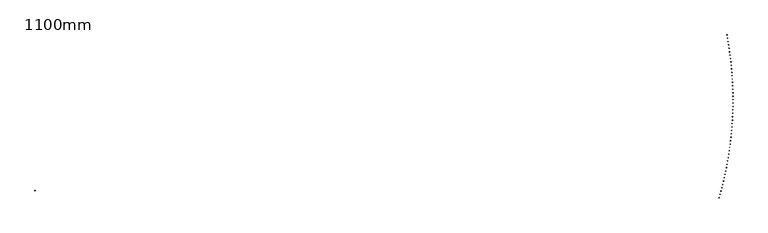
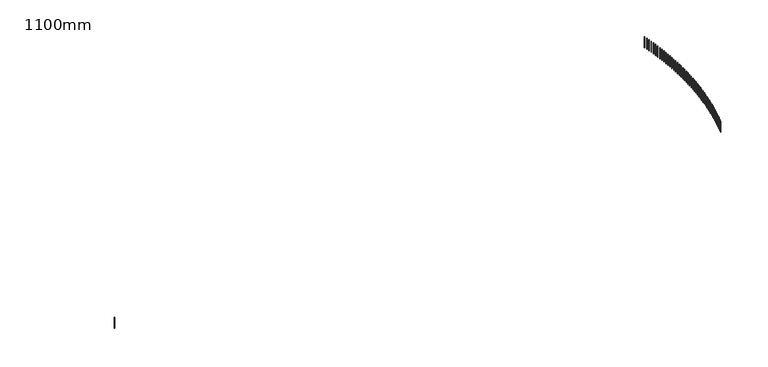
"""IFC4 building model written with IfcOpenShell, lengths in millimetres: railing geometry, 1100mm."""

from ifc_helpers import new_model, si_unit, frame, origin, place, context, project, spatial, polyline, outline, extrude, source, transform, mapped, element, save


def railing_1100mm_f61265d2(model_context):
    return source(origin(), model_context, "Body", "SweptSolid", [
        extrude(outline(polyline([(18164.9499455, -61980.7188274), (18188.9790862, -61987.6181313), (18182.0797824, -62011.6472721), (18158.0506416, -62004.7479682), (18164.9499455, -61980.7188274)])), frame((0.0, 0.0, 18600.0), z_axis=(0.0, 0.0, 1.0), x_axis=(1.0, 0.0, 0.0)), (0.0, 0.0, 1.0), 1050.0),
        extrude(outline(polyline([(18239.412749, -61716.1187681), (18263.5075375, -61722.785189), (18256.8411166, -61746.8799775), (18232.7463281, -61740.2135565), (18239.412749, -61716.1187681)])), frame((0.0, 0.0, 18600.0), z_axis=(0.0, 0.0, 1.0), x_axis=(1.0, 0.0, 0.0)), (0.0, 0.0, 1.0), 1050.0),
        extrude(outline(polyline([(18311.3112025, -61450.8104325), (18335.4693817, -61457.2433461), (18329.0364681, -61481.4015253), (18304.8782889, -61474.9686117), (18311.3112025, -61450.8104325)])), frame((0.0, 0.0, 18600.0), z_axis=(0.0, 0.0, 1.0), x_axis=(1.0, 0.0, 0.0)), (0.0, 0.0, 1.0), 1050.0),
        extrude(outline(polyline([(18380.6385712, -61184.8186723), (18404.8578782, -61191.017476), (18398.6590745, -61215.236783), (18374.4397675, -61209.0379793), (18380.6385712, -61184.8186723)])), frame((0.0, 0.0, 18600.0), z_axis=(0.0, 0.0, 1.0), x_axis=(1.0, 0.0, 0.0)), (0.0, 0.0, 1.0), 1050.0),
        extrude(outline(polyline([(18447.388361, -60918.168403), (18471.6665272, -60924.1325162), (18465.7024141, -60948.4106824), (18441.4242479, -60942.4465693), (18447.388361, -60918.168403)])), frame((0.0, 0.0, 18600.0), z_axis=(0.0, 0.0, 1.0), x_axis=(1.0, 0.0, 0.0)), (0.0, 0.0, 1.0), 1050.0),
        extrude(outline(polyline([(18511.5543196, -60650.884602), (18535.8890708, -60656.6134659), (18530.1602069, -60680.9482172), (18505.8254557, -60675.2193533), (18511.5543196, -60650.884602)])), frame((0.0, 0.0, 18600.0), z_axis=(0.0, 0.0, 1.0), x_axis=(1.0, 0.0, 0.0)), (0.0, 0.0, 1.0), 1050.0),
        extrude(outline(polyline([(18573.1304364, -60382.9923058), (18597.5194933, -60388.4853838), (18592.0264152, -60412.8744407), (18567.6373584, -60407.3813626), (18573.1304364, -60382.9923058)])), frame((0.0, 0.0, 18600.0), z_axis=(0.0, 0.0, 1.0), x_axis=(1.0, 0.0, 0.0)), (0.0, 0.0, 1.0), 1050.0),
        extrude(outline(polyline([(18632.1109437, -60114.516608), (18656.5520216, -60119.7733857), (18651.2952439, -60144.2144636), (18626.854166, -60138.9576859), (18632.1109437, -60114.516608)])), frame((0.0, 0.0, 18600.0), z_axis=(0.0, 0.0, 1.0), x_axis=(1.0, 0.0, 0.0)), (0.0, 0.0, 1.0), 1050.0),
        extrude(outline(polyline([(18688.4903166, -59845.4826569), (18712.9811262, -59850.5026418), (18707.9611413, -59874.9934513), (18683.4703318, -59869.9734664), (18688.4903166, -59845.4826569)])), frame((0.0, 0.0, 18600.0), z_axis=(0.0, 0.0, 1.0), x_axis=(1.0, 0.0, 0.0)), (0.0, 0.0, 1.0), 1050.0),
        extrude(outline(polyline([(18742.2632741, -59575.915653), (18766.8015213, -59580.6983749), (18762.0187994, -59605.236622), (18737.4805523, -59600.4539002), (18742.2632741, -59575.915653)])), frame((0.0, 0.0, 18600.0), z_axis=(0.0, 0.0, 1.0), x_axis=(1.0, 0.0, 0.0)), (0.0, 0.0, 1.0), 1050.0),
        extrude(outline(polyline([(18793.4247793, -59305.8408469), (18818.0081655, -59310.3858577), (18813.4631547, -59334.9692439), (18788.8797685, -59330.4242331), (18793.4247793, -59305.8408469)])), frame((0.0, 0.0, 18600.0), z_axis=(0.0, 0.0, 1.0), x_axis=(1.0, 0.0, 0.0)), (0.0, 0.0, 1.0), 1050.0),
        extrude(outline(polyline([(18841.9700398, -59035.2835364), (18866.5962623, -59039.5904105), (18862.2893882, -59064.216633), (18837.6631657, -59059.909759), (18841.9700398, -59035.2835364)])), frame((0.0, 0.0, 18600.0), z_axis=(0.0, 0.0, 1.0), x_axis=(1.0, 0.0, 0.0)), (0.0, 0.0, 1.0), 1050.0),
        extrude(outline(polyline([(18887.8945083, -58764.269065), (18912.5612604, -58768.3373989), (18908.4929265, -58793.004151), (18883.8261744, -58788.9358171), (18887.8945083, -58764.269065)])), frame((0.0, 0.0, 18600.0), z_axis=(0.0, 0.0, 1.0), x_axis=(1.0, 0.0, 0.0)), (0.0, 0.0, 1.0), 1050.0),
        extrude(outline(polyline([(18931.1938832, -58492.8228186), (18955.8988543, -58496.6522313), (18952.0694417, -58521.3572024), (18927.3644706, -58517.5277898), (18931.1938832, -58492.8228186)])), frame((0.0, 0.0, 18600.0), z_axis=(0.0, 0.0, 1.0), x_axis=(1.0, 0.0, 0.0)), (0.0, 0.0, 1.0), 1050.0),
        extrude(outline(polyline([(18971.8641085, -58220.9702238), (18996.6049845, -58224.5603565), (18993.0148518, -58249.3012325), (18968.2739758, -58245.7110998), (18971.8641085, -58220.9702238)])), frame((0.0, 0.0, 18600.0), z_axis=(0.0, 0.0, 1.0), x_axis=(1.0, 0.0, 0.0)), (0.0, 0.0, 1.0), 1050.0),
        extrude(outline(polyline([(19009.9013746, -57948.7367451), (19034.675838, -57952.0872615), (19031.3253216, -57976.861725), (19006.5508581, -57973.5112086), (19009.9013746, -57948.7367451)])), frame((0.0, 0.0, 18600.0), z_axis=(0.0, 0.0, 1.0), x_axis=(1.0, 0.0, 0.0)), (0.0, 0.0, 1.0), 1050.0),
        extrude(outline(polyline([(19045.3021185, -57676.1478828), (19070.1078487, -57679.2584691), (19066.9972624, -57704.0641993), (19042.1915322, -57700.953613), (19045.3021185, -57676.1478828)])), frame((0.0, 0.0, 18600.0), z_axis=(0.0, 0.0, 1.0), x_axis=(1.0, 0.0, 0.0)), (0.0, 0.0, 1.0), 1050.0),
        extrude(outline(polyline([(19078.0630243, -57403.2291703), (19102.8976977, -57406.0995352), (19100.0273329, -57430.9342086), (19075.1926595, -57428.0638438), (19078.0630243, -57403.2291703)])), frame((0.0, 0.0, 18600.0), z_axis=(0.0, 0.0, 1.0), x_axis=(1.0, 0.0, 0.0)), (0.0, 0.0, 1.0), 1050.0),
        extrude(outline(polyline([(19108.1810232, -57130.0061723), (19133.0423136, -57132.6360468), (19130.4124391, -57157.4973372), (19105.5511487, -57154.8674627), (19108.1810232, -57130.0061723)])), frame((0.0, 0.0, 18600.0), z_axis=(0.0, 0.0, 1.0), x_axis=(1.0, 0.0, 0.0)), (0.0, 0.0, 1.0), 1050.0),
        extrude(outline(polyline([(19135.6532941, -56856.5044815), (19160.5388726, -56858.8936193), (19158.1497348, -56883.7791979), (19133.2641562, -56881.39006), (19135.6532941, -56856.5044815)])), frame((0.0, 0.0, 18600.0), z_axis=(0.0, 0.0, 1.0), x_axis=(1.0, 0.0, 0.0)), (0.0, 0.0, 1.0), 1050.0),
        extrude(outline(polyline([(19160.4772635, -56582.749717), (19185.3847992, -56584.8978943), (19183.2366219, -56609.80543), (19158.3290862, -56607.6572527), (19160.4772635, -56582.749717)])), frame((0.0, 0.0, 18600.0), z_axis=(0.0, 0.0, 1.0), x_axis=(1.0, 0.0, 0.0)), (0.0, 0.0, 1.0), 1050.0),
        extrude(outline(polyline([(19182.6506063, -56308.7675216), (19207.577766, -56310.6745372), (19205.6707504, -56335.6016969), (19180.7435907, -56333.6946813), (19182.6506063, -56308.7675216)])), frame((0.0, 0.0, 18600.0), z_axis=(0.0, 0.0, 1.0), x_axis=(1.0, 0.0, 0.0)), (0.0, 0.0, 1.0), 1050.0),
        extrude(outline(polyline([(19202.1712455, -56034.5835593), (19227.1156943, -56036.2492346), (19225.4500189, -56061.1936834), (19200.5055701, -56059.5280081), (19202.1712455, -56034.5835593)])), frame((0.0, 0.0, 18600.0), z_axis=(0.0, 0.0, 1.0), x_axis=(1.0, 0.0, 0.0)), (0.0, 0.0, 1.0), 1050.0),
        extrude(outline(polyline([(19219.0373524, -55760.223513), (19243.9967538, -55761.647692), (19242.5725748, -55786.6070933), (19217.6131735, -55785.1829143), (19219.0373524, -55760.223513)])), frame((0.0, 0.0, 18600.0), z_axis=(0.0, 0.0, 1.0), x_axis=(1.0, 0.0, 0.0)), (0.0, 0.0, 1.0), 1050.0),
        extrude(outline(polyline([(19233.2473474, -55485.7130823), (19258.2193633, -55486.8956315), (19257.036814, -55511.8676474), (19232.0647982, -55510.6850982), (19233.2473474, -55485.7130823)])), frame((0.0, 0.0, 18600.0), z_axis=(0.0, 0.0, 1.0), x_axis=(1.0, 0.0, 0.0)), (0.0, 0.0, 1.0), 1050.0),
        extrude(outline(polyline([(19244.7998993, -55211.0779806), (19269.7821906, -55212.0187893), (19268.8413819, -55237.0010806), (19243.8590906, -55236.0602719), (19244.7998993, -55211.0779806)])), frame((0.0, 0.0, 18600.0), z_axis=(0.0, 0.0, 1.0), x_axis=(1.0, 0.0, 0.0)), (0.0, 0.0, 1.0), 1050.0),
        extrude(outline(polyline([(19253.693926, -54936.3439331), (19278.6841526, -54937.0429132), (19277.9851725, -54962.0331398), (19252.9949459, -54961.3341598), (19253.693926, -54936.3439331)])), frame((0.0, 0.0, 18600.0), z_axis=(0.0, 0.0, 1.0), x_axis=(1.0, 0.0, 0.0)), (0.0, 0.0, 1.0), 1050.0),
        extrude(outline(polyline([(19259.9285943, -54661.5366744), (19284.9244154, -54661.9937604), (19284.4673295, -54686.9895815), (19259.4715084, -54686.5324955), (19259.9285943, -54661.5366744)])), frame((0.0, 0.0, 18600.0), z_axis=(0.0, 0.0, 1.0), x_axis=(1.0, 0.0, 0.0)), (0.0, 0.0, 1.0), 1050.0),
        extrude(outline(polyline([(19263.5033203, -54386.6819458), (19288.5023945, -54386.8970948), (19288.2872455, -54411.896169), (19263.2881713, -54411.68102), (19263.5033203, -54386.6819458)])), frame((0.0, 0.0, 18600.0), z_axis=(0.0, 0.0, 1.0), x_axis=(1.0, 0.0, 0.0)), (0.0, 0.0, 1.0), 1050.0),
        extrude(outline(polyline([(19264.4177692, -54111.8054929), (19289.4177548, -54111.7786848), (19289.4445629, -54136.7786705), (19264.4445773, -54136.8054785), (19264.4177692, -54111.8054929)])), frame((0.0, 0.0, 18600.0), z_axis=(0.0, 0.0, 1.0), x_axis=(1.0, 0.0, 0.0)), (0.0, 0.0, 1.0), 1050.0),
        extrude(outline(polyline([(19262.6718552, -53836.9330637), (19287.6704105, -53836.6643011), (19287.9391732, -53861.6628564), (19262.9406179, -53861.931619), (19262.6718552, -53836.9330637)])), frame((0.0, 0.0, 18600.0), z_axis=(0.0, 0.0, 1.0), x_axis=(1.0, 0.0, 0.0)), (0.0, 0.0, 1.0), 1050.0),
        extrude(outline(polyline([(19258.265742, -53562.0904057), (19283.2605253, -53561.5797136), (19283.7712174, -53586.5744969), (19258.776434, -53587.085189), (19258.265742, -53562.0904057)])), frame((0.0, 0.0, 18600.0), z_axis=(0.0, 0.0, 1.0), x_axis=(1.0, 0.0, 0.0)), (0.0, 0.0, 1.0), 1050.0),
        extrude(outline(polyline([(19251.1998422, -53287.3032633), (19276.1885122, -53286.5506897), (19276.9410859, -53311.5393598), (19251.9524158, -53312.2919334), (19251.1998422, -53287.3032633)])), frame((0.0, 0.0, 18600.0), z_axis=(0.0, 0.0, 1.0), x_axis=(1.0, 0.0, 0.0)), (0.0, 0.0, 1.0), 1050.0),
        extrude(outline(polyline([(19241.4748176, -53012.5973762), (19266.4550338, -53011.6029914), (19267.4494185, -53036.5832076), (19242.4692024, -53037.5775923), (19241.4748176, -53012.5973762)])), frame((0.0, 0.0, 18600.0), z_axis=(0.0, 0.0, 1.0), x_axis=(1.0, 0.0, 0.0)), (0.0, 0.0, 1.0), 1050.0),
        extrude(outline(polyline([(19229.0915794, -52737.998476), (19254.0610017, -52736.7623734), (19255.2971043, -52761.7317957), (19230.327682, -52762.9678983), (19229.0915794, -52737.998476)])), frame((0.0, 0.0, 18600.0), z_axis=(0.0, 0.0, 1.0), x_axis=(1.0, 0.0, 0.0)), (0.0, 0.0, 1.0), 1050.0),
        extrude(outline(polyline([(19214.0512873, -52463.5322848), (19239.0075769, -52462.05458), (19240.4852817, -52487.0108695), (19215.5289921, -52488.4885743), (19214.0512873, -52463.5322848)])), frame((0.0, 0.0, 18600.0), z_axis=(0.0, 0.0, 1.0), x_axis=(1.0, 0.0, 0.0)), (0.0, 0.0, 1.0), 1050.0),
        extrude(outline(polyline([(19196.3553503, -52189.2245117), (19221.2961694, -52187.5053432), (19223.0153379, -52212.4461624), (19198.0745188, -52214.1653309), (19196.3553503, -52189.2245117)])), frame((0.0, 0.0, 18600.0), z_axis=(0.0, 0.0, 1.0), x_axis=(1.0, 0.0, 0.0)), (0.0, 0.0, 1.0), 1050.0),
        extrude(outline(polyline([(19176.0054258, -51915.1008515), (19200.9284384, -51913.1403803), (19202.8889096, -51938.0633928), (19177.965897, -51940.023864), (19176.0054258, -51915.1008515)])), frame((0.0, 0.0, 18600.0), z_axis=(0.0, 0.0, 1.0), x_axis=(1.0, 0.0, 0.0)), (0.0, 0.0, 1.0), 1050.0),
        extrude(outline(polyline([(19153.0034202, -51641.1869813), (19177.9062916, -51638.985391), (19180.1078818, -51663.8882624), (19155.2050105, -51666.0898526), (19153.0034202, -51641.1869813)])), frame((0.0, 0.0, 18600.0), z_axis=(0.0, 0.0, 1.0), x_axis=(1.0, 0.0, 0.0)), (0.0, 0.0, 1.0), 1050.0),
        extrude(outline(polyline([(19127.351488, -51367.5085588), (19152.2318855, -51365.0660558), (19154.6743886, -51389.9464532), (19129.7939911, -51392.3889563), (19127.351488, -51367.5085588)])), frame((0.0, 0.0, 18600.0), z_axis=(0.0, 0.0, 1.0), x_axis=(1.0, 0.0, 0.0)), (0.0, 0.0, 1.0), 1050.0),
        extrude(outline(polyline([(19099.052032, -51094.0912197), (19123.9076251, -51091.4080326), (19126.5908122, -51116.2636257), (19101.7352192, -51118.9468128), (19099.052032, -51094.0912197)])), frame((0.0, 0.0, 18600.0), z_axis=(0.0, 0.0, 1.0), x_axis=(1.0, 0.0, 0.0)), (0.0, 0.0, 1.0), 1050.0),
        extrude(outline(polyline([(19068.1077031, -50820.9605751), (19092.9361636, -50818.0369553), (19095.8597834, -50842.8654157), (19071.031323, -50845.7890355), (19068.1077031, -50820.9605751)])), frame((0.0, 0.0, 18600.0), z_axis=(0.0, 0.0, 1.0), x_axis=(1.0, 0.0, 0.0)), (0.0, 0.0, 1.0), 1050.0),
        extrude(outline(polyline([(19034.5213999, -50548.1422092), (19059.320402, -50544.9784305), (19062.4841806, -50569.7774326), (19037.6851785, -50572.9412113), (19034.5213999, -50548.1422092)])), frame((0.0, 0.0, 18600.0), z_axis=(0.0, 0.0, 1.0), x_axis=(1.0, 0.0, 0.0)), (0.0, 0.0, 1.0), 1050.0),
        extrude(outline(polyline([(18998.2962683, -50275.6616771), (19023.0634891, -50272.2580359), (19026.4671303, -50297.0252567), (19001.6999094, -50300.4288979), (18998.2962683, -50275.6616771)])), frame((0.0, 0.0, 18600.0), z_axis=(0.0, 0.0, 1.0), x_axis=(1.0, 0.0, 0.0)), (0.0, 0.0, 1.0), 1050.0),
        extrude(outline(polyline([(18959.4357016, -50003.5445021), (18984.1688212, -49999.9013173), (18987.812006, -50024.6344369), (18963.0788864, -50028.2776217), (18959.4357016, -50003.5445021)])), frame((0.0, 0.0, 18600.0), z_axis=(0.0, 0.0, 1.0), x_axis=(1.0, 0.0, 0.0)), (0.0, 0.0, 1.0), 1050.0),
        extrude(outline(polyline([(18917.9433399, -49731.8161737), (18942.6400415, -49727.9337865), (18946.5224288, -49752.6304881), (18921.8257272, -49756.5128753), (18917.9433399, -49731.8161737)])), frame((0.0, 0.0, 18600.0), z_axis=(0.0, 0.0, 1.0), x_axis=(1.0, 0.0, 0.0)), (0.0, 0.0, 1.0), 1050.0),
        extrude(outline(polyline([(18873.8230699, -49460.5021448), (18898.4810401, -49456.3809188), (18902.6022661, -49481.038889), (18877.9442958, -49485.160115), (18873.8230699, -49460.5021448)])), frame((0.0, 0.0, 18600.0), z_axis=(0.0, 0.0, 1.0), x_axis=(1.0, 0.0, 0.0)), (0.0, 0.0, 1.0), 1050.0),
        extrude(outline(polyline([(18827.0790242, -49189.6278294), (18851.6959533, -49185.2681507), (18856.055632, -49209.8850799), (18831.4387029, -49214.2447586), (18827.0790242, -49189.6278294)])), frame((0.0, 0.0, 18600.0), z_axis=(0.0, 0.0, 1.0), x_axis=(1.0, 0.0, 0.0)), (0.0, 0.0, 1.0), 1050.0),
        extrude(outline(polyline([(-36591.1817593, -61427.7006449), (-36615.3509807, -61434.0919464), (-36621.7422823, -61409.922725), (-36597.5730609, -61403.5314235), (-36591.1817593, -61427.7006449)])), frame((0.0, 0.0, 18600.0), z_axis=(0.0, 0.0, 1.0), x_axis=(1.0, 0.0, 0.0)), (0.0, 0.0, 1.0), 1050.0),
        extrude(outline(polyline([(18780.0161355, -48931.4994813), (18804.591738, -48926.9125693), (18809.1786501, -48951.4881718), (18784.6030476, -48956.0750838), (18780.0161355, -48931.4994813)])), frame((0.0, 0.0, 18600.0), z_axis=(0.0, 0.0, 1.0), x_axis=(1.0, 0.0, 0.0)), (0.0, 0.0, 1.0), 1050.0),
    ])


if __name__ == "__main__":
    model = new_model("IFC4")
    model_context = context("Model", 3, world=origin())
    ifc_project = project(units=[si_unit("LENGTHUNIT", "METRE", prefix="MILLI")], contexts=[model_context])
    site = spatial("IfcSite", under=ifc_project)
    building = spatial("IfcBuilding", under=site)
    placement = place(None, origin())
    railing_1100mm_shape = railing_1100mm_f61265d2(model_context)
    element("IfcRailing", 1, ObjectType="1100mm", at=placement, inside=building, context=model_context, shape_type="MappedRepresentation", body=[
        mapped(railing_1100mm_shape, transform((0.0, 0.0, 0.0), x_axis=(1.0, 0.0, 0.0), y_axis=(0.0, 1.0, 0.0), z_axis=(0.0, 0.0, 1.0))),
    ])
    save(model, "model.ifc")
